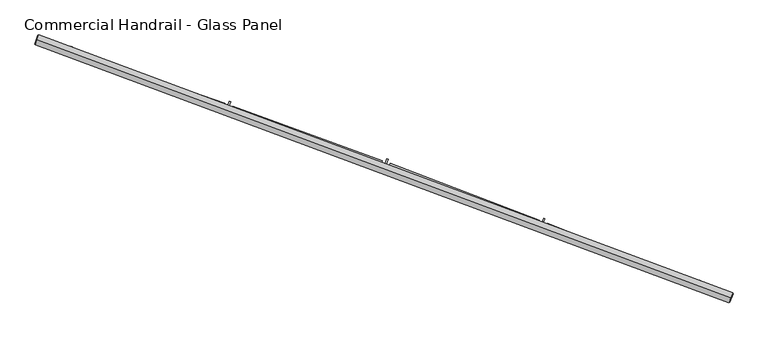
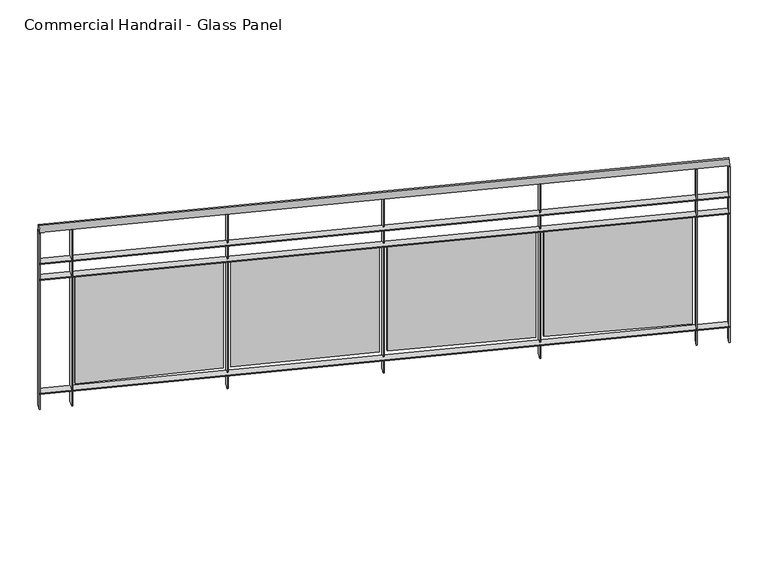
"""IFC4 building model written with IfcOpenShell, lengths in millimetres: railing geometry, Commercial Handrail - Glass Panel."""

from ifc_helpers import new_model, si_unit, point, frame, origin, place, context, project, spatial, polyline, circle_curve, ellipse_curve, trimmed, outline, extrude, source, transform, mapped, element, save
from ifc_brep_helpers import plane_surface, cylinder_surface, revolved_surface, advanced_brep


def commercial_handrail_glass_panel_7c68b12c(model_context):
    return source(origin(), model_context, "Body", "SolidModel", [
        advanced_brep(
        [(154688.5443704, -12503.5611776, 23082.5), (151378.1394206, -11272.5411914, 23082.5), (151378.1394206, -11272.5411914, 23117.5), (154688.5443704, -12503.5611776, 23117.5)],
        [
            (0, 1, circle_curve(frame((133423.8827296, -64620.9486284, 23082.5), z_axis=(0.0, 0.0, 1.0), x_axis=(0.31896783130581285, 0.9477655419944674, 0.0)), 56288.6126085)),
            (1, 2, ellipse_curve(frame((151378.1394206, -11272.5411914, 23100.0), z_axis=(0.9477655419944653, -0.318967831305819, 0.0), x_axis=(-0.318967831305819, -0.9477655419944653, 0.0)), 25.0, 17.5)),
            (2, 3, circle_curve(frame((133423.8827296, -64620.9486284, 23117.5), z_axis=(0.0, 0.0, -1.0), x_axis=(0.31896783130581285, 0.9477655419944674, 0.0)), 56288.6126085)),
            (3, 0, ellipse_curve(frame((154688.5443704, -12503.5611776, 23100.0), z_axis=(-0.9258957546749953, 0.3777791040738237, 0.0), x_axis=(-0.3777791040738237, -0.9258957546749953, 0.0)), 25.0, 17.5)),
            (2, 1, ellipse_curve(frame((151378.1394206, -11272.5411914, 23100.0), z_axis=(0.9477655419944653, -0.318967831305819, 0.0), x_axis=(-0.318967831305819, -0.9477655419944653, 0.0)), 25.0, 17.5)),
            (0, 3, ellipse_curve(frame((154688.5443704, -12503.5611776, 23100.0), z_axis=(-0.9258957546749953, 0.3777791040738237, 0.0), x_axis=(-0.3777791040738237, -0.9258957546749953, 0.0)), 25.0, 17.5)),
        ],
        [
            revolved_surface(trimmed(ellipse_curve(frame((151378.1394206, -11272.5411914, 23100.0), z_axis=(-0.9477655419944674, 0.31896783130581285, 0.0), x_axis=(0.0, 0.0, -1.0)), 17.5, 25.0), [point((151378.1394206, -11272.5411914, 23117.5))], [point((151378.1394206, -11272.5411914, 23082.5))], True, "CARTESIAN"), (133423.8827296, -64620.9486284, 23100.0), (0.0, 0.0, -1.0)),
            revolved_surface(trimmed(ellipse_curve(frame((151378.1394206, -11272.5411914, 23100.0), z_axis=(-0.9477655419944674, 0.31896783130581285, 0.0), x_axis=(0.0, 0.0, -1.0)), 17.5, 25.0), [point((151378.1394206, -11272.5411914, 23082.5))], [point((151378.1394206, -11272.5411914, 23117.5))], True, "CARTESIAN"), (133423.8827296, -64620.9486284, 23100.0), (0.0, 0.0, -1.0)),
            plane_surface(frame((151378.1394206, -11272.5411914, 23100.0), z_axis=(-0.9477655419944674, 0.31896783130581285, 0.0), x_axis=(0.31896783130581285, 0.9477655419944674, 0.0))),
            plane_surface(frame((154688.5443704, -12503.5611776, 23100.0), z_axis=(0.9258957546749954, -0.3777791040738237, 0.0), x_axis=(0.3777791040738237, 0.9258957546749954, 0.0))),
        ],
        [
            (0, [[1, 2, 3, 4]]),
            (1, [[-3, 5, -1, 6]]),
            (2, [[-2, -5]]),
            (3, [[-6, -4]]),
        ],
    ),
        advanced_brep(
        [(154697.0444003, -12482.7285231, 22900.0), (151385.3161968, -11251.2164667, 22900.0), (151370.9626444, -11293.865916, 22900.0), (154680.0443406, -12524.3938321, 22900.0), (154697.0444003, -12482.7285231, 22894.0), (151385.3161968, -11251.2164667, 22894.0), (154680.0443406, -12524.3938321, 22894.0), (151370.9626444, -11293.865916, 22894.0)],
        [
            (0, 1, circle_curve(frame((133423.8827296, -64620.9486284, 22900.0), z_axis=(0.0, 0.0, 1.0), x_axis=(0.31896783130581285, 0.9477655419944674, 0.0)), 56311.1126085)),
            (1, 2),
            (2, 3, circle_curve(frame((133423.8827296, -64620.9486284, 22900.0), z_axis=(0.0, 0.0, -1.0), x_axis=(0.31896783130581285, 0.9477655419944674, 0.0)), 56266.1126085)),
            (3, 0),
            (4, 5, circle_curve(frame((133423.8827296, -64620.9486284, 22894.0), z_axis=(0.0, 0.0, 1.0), x_axis=(0.31896783130581285, 0.9477655419944674, 0.0)), 56311.1126085)),
            (5, 1),
            (0, 4),
            (6, 7, circle_curve(frame((133423.8827296, -64620.9486284, 22894.0), z_axis=(0.0, 0.0, 1.0), x_axis=(0.31896783130581285, 0.9477655419944674, 0.0)), 56266.1126085)),
            (7, 5),
            (4, 6),
            (2, 7),
            (6, 3),
        ],
        [
            plane_surface(frame((133423.8827296, -64620.9486284, 22900.0), z_axis=(0.0, 0.0, 1.0), x_axis=(0.31896783130581285, 0.9477655419944674, 0.0))),
            cylinder_surface(frame((133423.8827296, -64620.9486284, 22900.0), z_axis=(0.0, 0.0, -1.0), x_axis=(0.31896783130581285, 0.9477655419944674, 0.0)), 56311.1126085),
            plane_surface(frame((133423.8827296, -64620.9486284, 22894.0), z_axis=(0.0, 0.0, -1.0), x_axis=(0.31896783130581285, 0.9477655419944674, 0.0))),
            revolved_surface(polyline([(151370.9626443419, -11293.865916083261, 22894.0), (151370.9626443419, -11293.865916083261, 22900.0)]), (133423.8827296, -64620.9486284, 22900.0), (0.0, 0.0, -1.0)),
            plane_surface(frame((151378.1394206, -11272.5411914, 22900.0), z_axis=(-0.9477655419944674, 0.31896783130581285, 0.0), x_axis=(0.31896783130581285, 0.9477655419944674, 0.0))),
            plane_surface(frame((154688.5443704, -12503.5611776, 22900.0), z_axis=(0.9258957546749954, -0.3777791040738237, 0.0), x_axis=(0.3777791040738237, 0.9258957546749954, 0.0))),
        ],
        [
            (0, [[1, 2, 3, 4]]),
            (1, [[5, 6, -1, 7]]),
            (2, [[8, 9, -5, 10]]),
            (3, [[-3, 11, -8, 12]]),
            (4, [[-2, -6, -9, -11]]),
            (5, [[-12, -10, -7, -4]]),
        ],
    ),
        advanced_brep(
        [(154697.0444003, -12482.7285231, 22800.0), (151385.3161968, -11251.2164667, 22800.0), (151370.9626444, -11293.865916, 22800.0), (154680.0443406, -12524.3938321, 22800.0), (154697.0444003, -12482.7285231, 22794.0), (151385.3161968, -11251.2164667, 22794.0), (154680.0443406, -12524.3938321, 22794.0), (151370.9626444, -11293.865916, 22794.0)],
        [
            (0, 1, circle_curve(frame((133423.8827296, -64620.9486284, 22800.0), z_axis=(0.0, 0.0, 1.0), x_axis=(0.31896783130581285, 0.9477655419944674, 0.0)), 56311.1126085)),
            (1, 2),
            (2, 3, circle_curve(frame((133423.8827296, -64620.9486284, 22800.0), z_axis=(0.0, 0.0, -1.0), x_axis=(0.31896783130581285, 0.9477655419944674, 0.0)), 56266.1126085)),
            (3, 0),
            (4, 5, circle_curve(frame((133423.8827296, -64620.9486284, 22794.0), z_axis=(0.0, 0.0, 1.0), x_axis=(0.31896783130581285, 0.9477655419944674, 0.0)), 56311.1126085)),
            (5, 1),
            (0, 4),
            (6, 7, circle_curve(frame((133423.8827296, -64620.9486284, 22794.0), z_axis=(0.0, 0.0, 1.0), x_axis=(0.31896783130581285, 0.9477655419944674, 0.0)), 56266.1126085)),
            (7, 5),
            (4, 6),
            (2, 7),
            (6, 3),
        ],
        [
            plane_surface(frame((133423.8827296, -64620.9486284, 22800.0), z_axis=(0.0, 0.0, 1.0), x_axis=(0.31896783130581285, 0.9477655419944674, 0.0))),
            cylinder_surface(frame((133423.8827296, -64620.9486284, 22800.0), z_axis=(0.0, 0.0, -1.0), x_axis=(0.31896783130581285, 0.9477655419944674, 0.0)), 56311.1126085),
            plane_surface(frame((133423.8827296, -64620.9486284, 22794.0), z_axis=(0.0, 0.0, -1.0), x_axis=(0.31896783130581285, 0.9477655419944674, 0.0))),
            revolved_surface(polyline([(151370.9626443419, -11293.865916083261, 22794.0), (151370.9626443419, -11293.865916083261, 22800.0)]), (133423.8827296, -64620.9486284, 22800.0), (0.0, 0.0, -1.0)),
            plane_surface(frame((151378.1394206, -11272.5411914, 22800.0), z_axis=(-0.9477655419944674, 0.31896783130581285, 0.0), x_axis=(0.31896783130581285, 0.9477655419944674, 0.0))),
            plane_surface(frame((154688.5443704, -12503.5611776, 22800.0), z_axis=(0.9258957546749954, -0.3777791040738237, 0.0), x_axis=(0.3777791040738237, 0.9258957546749954, 0.0))),
        ],
        [
            (0, [[1, 2, 3, 4]]),
            (1, [[5, 6, -1, 7]]),
            (2, [[8, 9, -5, 10]]),
            (3, [[-3, 11, -8, 12]]),
            (4, [[-2, -6, -9, -11]]),
            (5, [[-12, -10, -7, -4]]),
        ],
    ),
        advanced_brep(
        [(154697.0444003, -12482.7285231, 22100.0), (151385.3161968, -11251.2164667, 22100.0), (151370.9626444, -11293.865916, 22100.0), (154680.0443406, -12524.3938321, 22100.0), (154697.0444003, -12482.7285231, 22094.0), (151385.3161968, -11251.2164667, 22094.0), (154680.0443406, -12524.3938321, 22094.0), (151370.9626444, -11293.865916, 22094.0)],
        [
            (0, 1, circle_curve(frame((133423.8827296, -64620.9486284, 22100.0), z_axis=(0.0, 0.0, 1.0), x_axis=(0.31896783130581285, 0.9477655419944674, 0.0)), 56311.1126085)),
            (1, 2),
            (2, 3, circle_curve(frame((133423.8827296, -64620.9486284, 22100.0), z_axis=(0.0, 0.0, -1.0), x_axis=(0.31896783130581285, 0.9477655419944674, 0.0)), 56266.1126085)),
            (3, 0),
            (4, 5, circle_curve(frame((133423.8827296, -64620.9486284, 22094.0), z_axis=(0.0, 0.0, 1.0), x_axis=(0.31896783130581285, 0.9477655419944674, 0.0)), 56311.1126085)),
            (5, 1),
            (0, 4),
            (6, 7, circle_curve(frame((133423.8827296, -64620.9486284, 22094.0), z_axis=(0.0, 0.0, 1.0), x_axis=(0.31896783130581285, 0.9477655419944674, 0.0)), 56266.1126085)),
            (7, 5),
            (4, 6),
            (2, 7),
            (6, 3),
        ],
        [
            plane_surface(frame((133423.8827296, -64620.9486284, 22100.0), z_axis=(0.0, 0.0, 1.0), x_axis=(0.31896783130581285, 0.9477655419944674, 0.0))),
            cylinder_surface(frame((133423.8827296, -64620.9486284, 22100.0), z_axis=(0.0, 0.0, -1.0), x_axis=(0.31896783130581285, 0.9477655419944674, 0.0)), 56311.1126085),
            plane_surface(frame((133423.8827296, -64620.9486284, 22094.0), z_axis=(0.0, 0.0, -1.0), x_axis=(0.31896783130581285, 0.9477655419944674, 0.0))),
            revolved_surface(polyline([(151370.9626443419, -11293.865916083261, 22094.0), (151370.9626443419, -11293.865916083261, 22100.0)]), (133423.8827296, -64620.9486284, 22100.0), (0.0, 0.0, -1.0)),
            plane_surface(frame((151378.1394206, -11272.5411914, 22100.0), z_axis=(-0.9477655419944674, 0.31896783130581285, 0.0), x_axis=(0.31896783130581285, 0.9477655419944674, 0.0))),
            plane_surface(frame((154688.5443704, -12503.5611776, 22100.0), z_axis=(0.9258957546749954, -0.3777791040738237, 0.0), x_axis=(0.3777791040738237, 0.9258957546749954, 0.0))),
        ],
        [
            (0, [[1, 2, 3, 4]]),
            (1, [[5, 6, -1, 7]]),
            (2, [[8, 9, -5, 10]]),
            (3, [[-3, 11, -8, 12]]),
            (4, [[-2, -6, -9, -11]]),
            (5, [[-12, -10, -7, -4]]),
        ],
    ),
        extrude(outline(polyline([(154523.3199189, -12460.722523), (154540.1968592, -12419.0071914), (154545.7589034, -12421.2574501), (154528.8819631, -12462.9727817), (154523.3199189, -12460.722523)])), frame((0.0, 0.0, 22000.0), z_axis=(0.0, 0.0, 1.0), x_axis=(1.0, 0.0, 0.0)), (0.0, 0.0, 1.0), 1082.1192282),
        extrude(outline(polyline([(153812.1505834, -12146.7040634), (154518.6838869, -12426.7231539), (154514.2625328, -12437.8789429), (153807.7292294, -12157.8598524), (153812.1505834, -12146.7040634)])), frame((0.0, 0.0, 22120.0), z_axis=(0.0, 0.0, 1.0), x_axis=(1.0, 0.0, 0.0)), (0.0, 0.0, 1.0), 660.0),
        extrude(outline(polyline([(153779.8884832, -12166.1255247), (153796.1708612, -12124.1745514), (153801.7643243, -12126.3455351), (153785.4819463, -12168.2965085), (153779.8884832, -12166.1255247)])), frame((0.0, 0.0, 22000.0), z_axis=(0.0, 0.0, 1.0), x_axis=(1.0, 0.0, 0.0)), (0.0, 0.0, 1.0), 1082.1192282),
        extrude(outline(polyline([(153064.3281461, -11862.2459094), (153774.7697208, -12132.1954767), (153770.5073592, -12143.4129753), (153060.0657845, -11873.463408), (153064.3281461, -11862.2459094)])), frame((0.0, 0.0, 22120.0), z_axis=(0.0, 0.0, 1.0), x_axis=(1.0, 0.0, 0.0)), (0.0, 0.0, 1.0), 660.0),
        extrude(outline(polyline([(153032.3453218, -11882.1239179), (153048.0298486, -11839.9457764), (153053.6536008, -11842.0370466), (153037.969074, -11884.2151881), (153032.3453218, -11882.1239179)])), frame((0.0, 0.0, 22000.0), z_axis=(0.0, 0.0, 1.0), x_axis=(1.0, 0.0, 0.0)), (0.0, 0.0, 1.0), 1082.1192282),
        extrude(outline(polyline([(152312.5385196, -11588.4445277), (153026.7448629, -11848.2700444), (153022.6423547, -11859.5469867), (152308.4360114, -11599.7214699), (152312.5385196, -11588.4445277)])), frame((0.0, 0.0, 22120.0), z_axis=(0.0, 0.0, 1.0), x_axis=(1.0, 0.0, 0.0)), (0.0, 0.0, 1.0), 660.0),
        extrude(outline(polyline([(152280.8414314, -11608.775068), (152295.9249389, -11566.378278), (152301.5778442, -11568.3894124), (152286.4943367, -11610.7862024), (152280.8414314, -11608.775068)])), frame((0.0, 0.0, 22000.0), z_axis=(0.0, 0.0, 1.0), x_axis=(1.0, 0.0, 0.0)), (0.0, 0.0, 1.0), 1082.1192282),
        extrude(outline(polyline([(151556.9335585, -11325.3552235), (152274.7604073, -11575.0042073), (152270.8185812, -11586.3383154), (151552.9917324, -11336.6893316), (151556.9335585, -11325.3552235)])), frame((0.0, 0.0, 22120.0), z_axis=(0.0, 0.0, 1.0), x_axis=(1.0, 0.0, 0.0)), (0.0, 0.0, 1.0), 660.0),
        extrude(outline(polyline([(151525.528609, -11346.1341892), (151540.0080505, -11303.5273144), (151545.6889671, -11305.4579066), (151531.2095256, -11348.0647814), (151525.528609, -11346.1341892)])), frame((0.0, 0.0, 22000.0), z_axis=(0.0, 0.0, 1.0), x_axis=(1.0, 0.0, 0.0)), (0.0, 0.0, 1.0), 1082.1192282),
        extrude(outline(polyline([(154677.2666533, -12523.2604948), (154694.266713, -12481.5951858), (154699.8220875, -12483.8618604), (154682.8220279, -12525.5271694), (154677.2666533, -12523.2604948)])), frame((0.0, 0.0, 22000.0), z_axis=(0.0, 0.0, 1.0), x_axis=(1.0, 0.0, 0.0)), (0.0, 0.0, 1.0), 1082.1192282),
        extrude(outline(polyline([(151368.1193477, -11292.9090126), (151382.4729002, -11250.2595632), (151388.1594934, -11252.1733702), (151373.805941, -11294.8228195), (151368.1193477, -11292.9090126)])), frame((0.0, 0.0, 22000.0), z_axis=(0.0, 0.0, 1.0), x_axis=(1.0, 0.0, 0.0)), (0.0, 0.0, 1.0), 1082.1192282),
    ])


if __name__ == "__main__":
    model = new_model("IFC4")
    model_context = context("Model", 3, world=origin())
    ifc_project = project(units=[si_unit("LENGTHUNIT", "METRE", prefix="MILLI")], contexts=[model_context])
    site = spatial("IfcSite", under=ifc_project)
    building = spatial("IfcBuilding", under=site)
    placement = place(None, origin())
    commercial_handrail_glass_panel_shape = commercial_handrail_glass_panel_7c68b12c(model_context)
    element("IfcRailing", 1, ObjectType="Commercial Handrail - Glass Panel", at=placement, inside=building, context=model_context, shape_type="MappedRepresentation", body=[
        mapped(commercial_handrail_glass_panel_shape, transform((0.0, 0.0, 0.0), x_axis=(1.0, 0.0, 0.0), y_axis=(0.0, 1.0, 0.0), z_axis=(0.0, 0.0, 1.0))),
    ])
    save(model, "model.ifc")
